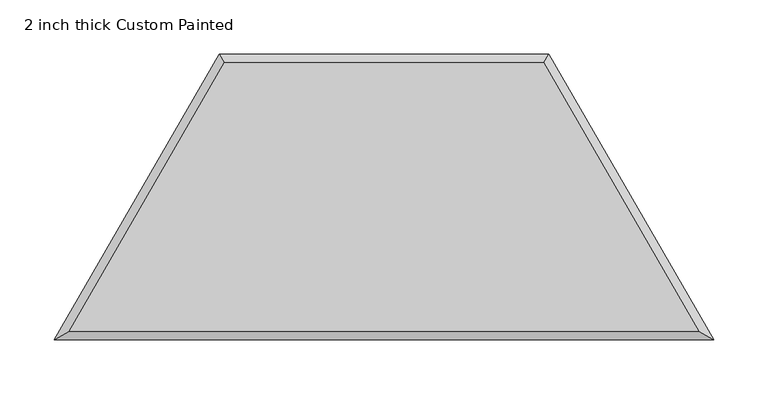
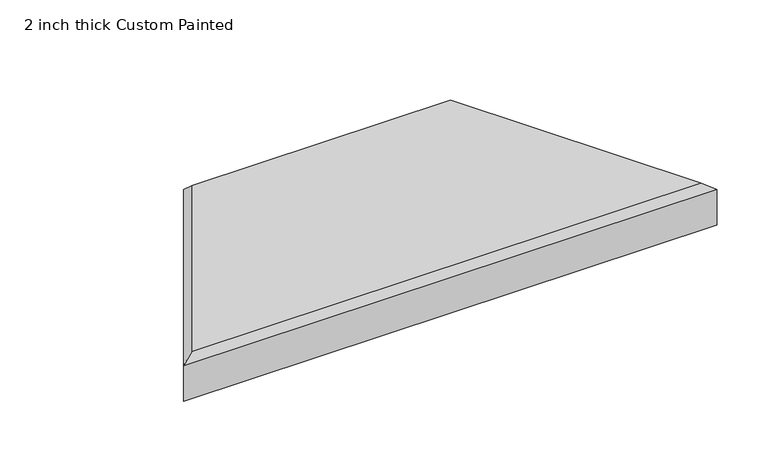
"""IFC4 building model written with IfcOpenShell, lengths in millimetres: proxy geometry, 2 inch thick Custom Painted."""

from ifc_helpers import new_model, si_unit, origin, place, context, project, spatial, faceted_brep, source, transform, mapped, element, save


def proxy_2_inch_thick_custom_painted_0576e72c(model_context):
    return source(origin(), model_context, "Body", "Brep", [
        faceted_brep([(-147.7806205, 255.9635431, 50.8), (-290.9418615, 8.001, 50.8), (290.9418615, 8.001, 50.8), (147.7806205, 255.9635431, 50.8), (152.4, 263.9645431, 0.0), (304.8, 0.0, 0.0), (-304.8, 0.0, 0.0), (-152.4, 263.9645431, 0.0), (-152.4, 263.9645431, 42.799), (152.4, 263.9645431, 42.799), (-304.8, 0.0, 42.799), (304.8, 0.0, 42.799)], [[[0, 1, 2, 3]], [[4, 5, 6, 7]], [[4, 7, 8, 9]], [[7, 6, 10, 8]], [[5, 4, 9, 11]], [[10, 1, 0, 8]], [[9, 3, 2, 11]], [[8, 0, 3, 9]], [[6, 5, 11, 10]], [[1, 10, 11, 2]]]),
    ])


if __name__ == "__main__":
    model = new_model("IFC4")
    model_context = context("Model", 3, world=origin())
    ifc_project = project(units=[si_unit("LENGTHUNIT", "METRE", prefix="MILLI")], contexts=[model_context])
    site = spatial("IfcSite", under=ifc_project)
    building = spatial("IfcBuilding", under=site)
    placement = place(None, origin())
    proxy_2_inch_thick_custom_painted_shape = proxy_2_inch_thick_custom_painted_0576e72c(model_context)
    element("IfcBuildingElementProxy", 1, Name="2 inch thick Custom Painted", ObjectType="2 inch thick Custom Painted", at=placement, inside=building, context=model_context, shape_type="MappedRepresentation", body=[
        mapped(proxy_2_inch_thick_custom_painted_shape, transform((0.0, 0.0, 0.0), x_axis=(1.0, 0.0, 0.0), y_axis=(0.0, 1.0, 0.0), z_axis=(0.0, 0.0, 1.0))),
    ])
    save(model, "model.ifc")
